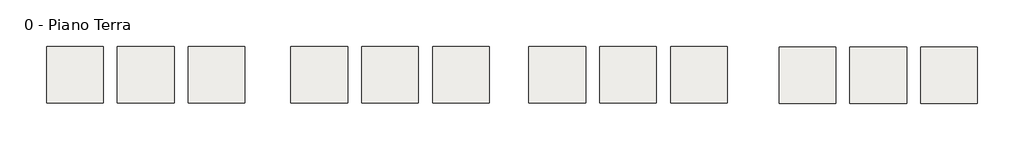
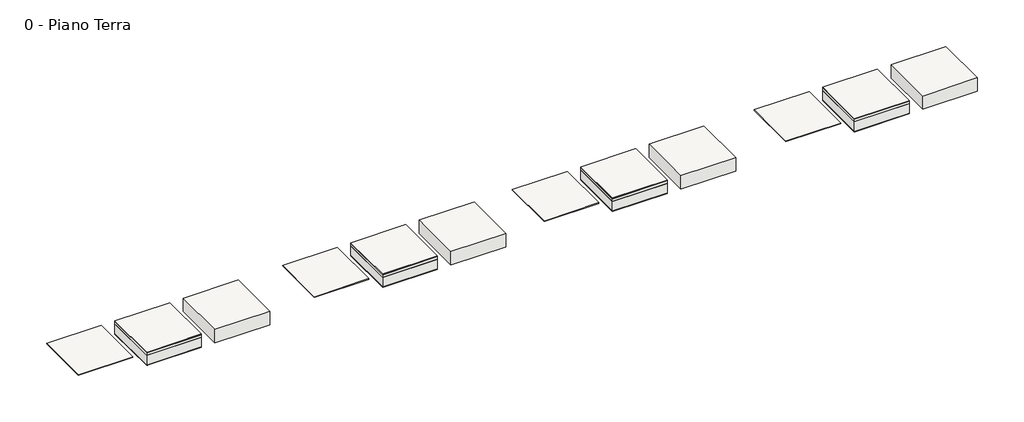
# One storey: 24 slabs.
"""IFC4 building model written with IfcOpenShell, lengths in millimetres."""

from ifc_helpers import new_model, si_unit, frame, origin, place, context, project, spatial, polyline, outline, extrude, element, save

model = new_model("IFC4")

# Units and contexts
model_context = context("Model", 3, world=origin())
ifc_project = project(units=[si_unit("LENGTHUNIT", "METRE", prefix="MILLI")], contexts=[model_context])

# Site, building, storey
site = spatial("IfcSite", under=ifc_project)
building = spatial("IfcBuilding", under=site)
storey = spatial("IfcBuildingStorey", under=building, Name="0 - Piano Terra", Elevation=0.0)

# Slabs
placement = place(None, origin())
element("IfcSlab", 1, at=placement, inside=storey, context=model_context, shape_type="SweptSolid", body=[
    extrude(outline(polyline([(-2346.4319513, -711.6639386), (-3946.4319513, -711.6639386), (-3946.4319513, 888.3360614), (-2346.4319513, 888.3360614), (-2346.4319513, -711.6639386)])), frame((0.0, 0.0, -20.0), z_axis=(0.0, 0.0, 1.0), x_axis=(1.0, 0.0, 0.0)), (0.0, 0.0, 1.0), 20.0),
])
element("IfcSlab", 2, at=placement, inside=storey, context=model_context, shape_type="SweptSolid", body=[
    extrude(outline(polyline([(4556.5436302, -711.6639386), (2956.5436302, -711.6639386), (2956.5436302, 888.3360614), (4556.5436302, 888.3360614), (4556.5436302, -711.6639386)])), frame((0.0, 0.0, -20.0), z_axis=(0.0, 0.0, 1.0), x_axis=(1.0, 0.0, 0.0)), (0.0, 0.0, 1.0), 20.0),
])
element("IfcSlab", 3, at=placement, inside=storey, context=model_context, shape_type="SweptSolid", body=[
    extrude(outline(polyline([(11276.1529447, -716.5130908), (9676.1529447, -716.5130908), (9676.1529447, 883.4869092), (11276.1529447, 883.4869092), (11276.1529447, -716.5130908)])), frame((0.0, 0.0, -20.0), z_axis=(0.0, 0.0, 1.0), x_axis=(1.0, 0.0, 0.0)), (0.0, 0.0, 1.0), 20.0),
])
element("IfcSlab", 4, at=placement, inside=storey, context=model_context, shape_type="SweptSolid", body=[
    extrude(outline(polyline([(18343.2741489, -731.5137435), (16743.2741489, -731.5137435), (16743.2741489, 868.4862565), (18343.2741489, 868.4862565), (18343.2741489, -731.5137435)])), frame((0.0, 0.0, -20.0), z_axis=(0.0, 0.0, 1.0), x_axis=(1.0, 0.0, 0.0)), (0.0, 0.0, 1.0), 20.0),
])
element("IfcSlab", 5, at=placement, inside=storey, context=model_context, shape_type="SweptSolid", body=[
    extrude(outline(polyline([(-346.4319513, -711.6639386), (-1946.4319513, -711.6639386), (-1946.4319513, 888.3360614), (-346.4319513, 888.3360614), (-346.4319513, -711.6639386)])), frame((0.0, 0.0, -20.0), z_axis=(0.0, 0.0, 1.0), x_axis=(1.0, 0.0, 0.0)), (0.0, 0.0, 1.0), 20.0),
])
element("IfcSlab", 6, at=placement, inside=storey, context=model_context, shape_type="SweptSolid", body=[
    extrude(outline(polyline([(1653.5680487, -711.6639386), (53.5680487, -711.6639386), (53.5680487, 888.3360614), (1653.5680487, 888.3360614), (1653.5680487, -711.6639386)])), frame((0.0, 0.0, -415.0), z_axis=(0.0, 0.0, 1.0), x_axis=(1.0, 0.0, 0.0)), (0.0, 0.0, 1.0), 415.0),
])
element("IfcSlab", 7, at=placement, inside=storey, context=model_context, shape_type="SweptSolid", body=[
    extrude(outline(polyline([(6556.5436302, -711.6639386), (4956.5436302, -711.6639386), (4956.5436302, 888.3360614), (6556.5436302, 888.3360614), (6556.5436302, -711.6639386)])), frame((0.0, 0.0, -20.0), z_axis=(0.0, 0.0, 1.0), x_axis=(1.0, 0.0, 0.0)), (0.0, 0.0, 1.0), 20.0),
])
element("IfcSlab", 8, at=placement, inside=storey, context=model_context, shape_type="SweptSolid", body=[
    extrude(outline(polyline([(8556.5436302, -711.6639386), (6956.5436302, -711.6639386), (6956.5436302, 888.3360614), (8556.5436302, 888.3360614), (8556.5436302, -711.6639386)])), frame((0.0, 0.0, -415.0), z_axis=(0.0, 0.0, 1.0), x_axis=(1.0, 0.0, 0.0)), (0.0, 0.0, 1.0), 415.0),
])
element("IfcSlab", 9, at=placement, inside=storey, context=model_context, shape_type="SweptSolid", body=[
    extrude(outline(polyline([(13276.1529447, -716.5130908), (11676.1529447, -716.5130908), (11676.1529447, 883.4869092), (13276.1529447, 883.4869092), (13276.1529447, -716.5130908)])), frame((0.0, 0.0, -20.0), z_axis=(0.0, 0.0, 1.0), x_axis=(1.0, 0.0, 0.0)), (0.0, 0.0, 1.0), 20.0),
])
element("IfcSlab", 10, at=placement, inside=storey, context=model_context, shape_type="SweptSolid", body=[
    extrude(outline(polyline([(15276.1529447, -716.5130908), (13676.1529447, -716.5130908), (13676.1529447, 883.4869092), (15276.1529447, 883.4869092), (15276.1529447, -716.5130908)])), frame((0.0, 0.0, -415.0), z_axis=(0.0, 0.0, 1.0), x_axis=(1.0, 0.0, 0.0)), (0.0, 0.0, 1.0), 415.0),
])
element("IfcSlab", 11, at=placement, inside=storey, context=model_context, shape_type="SweptSolid", body=[
    extrude(outline(polyline([(20343.2741489, -731.5137435), (18743.2741489, -731.5137435), (18743.2741489, 868.4862565), (20343.2741489, 868.4862565), (20343.2741489, -731.5137435)])), frame((0.0, 0.0, -20.0), z_axis=(0.0, 0.0, 1.0), x_axis=(1.0, 0.0, 0.0)), (0.0, 0.0, 1.0), 20.0),
])
element("IfcSlab", 12, at=placement, inside=storey, context=model_context, shape_type="SweptSolid", body=[
    extrude(outline(polyline([(22343.2741489, -731.5137435), (20743.2741489, -731.5137435), (20743.2741489, 868.4862565), (22343.2741489, 868.4862565), (22343.2741489, -731.5137435)])), frame((0.0, 0.0, -415.0), z_axis=(0.0, 0.0, 1.0), x_axis=(1.0, 0.0, 0.0)), (0.0, 0.0, 1.0), 415.0),
])
element("IfcSlab", 13, ObjectType="Intonaco", at=placement, inside=storey, context=model_context, shape_type="SweptSolid", body=[
    extrude(outline(polyline([(-346.4319513, 888.3360614), (-346.4319513, -711.6639386), (-1946.4319513, -711.6639386), (-1946.4319513, 888.3360614), (-346.4319513, 888.3360614)])), frame((0.0, 0.0, -415.0), z_axis=(0.0, 0.0, 1.0), x_axis=(1.0, 0.0, 0.0)), (0.0, 0.0, 1.0), 15.0),
])
element("IfcSlab", 14, ObjectType="Intonaco", at=placement, inside=storey, context=model_context, shape_type="SweptSolid", body=[
    extrude(outline(polyline([(6556.5436302, 888.3360614), (6556.5436302, -711.6639386), (4956.5436302, -711.6639386), (4956.5436302, 888.3360614), (6556.5436302, 888.3360614)])), frame((0.0, 0.0, -415.0), z_axis=(0.0, 0.0, 1.0), x_axis=(1.0, 0.0, 0.0)), (0.0, 0.0, 1.0), 15.0),
])
element("IfcSlab", 15, ObjectType="Intonaco", at=placement, inside=storey, context=model_context, shape_type="SweptSolid", body=[
    extrude(outline(polyline([(13276.1529447, 883.4869092), (13276.1529447, -716.5130908), (11676.1529447, -716.5130908), (11676.1529447, 883.4869092), (13276.1529447, 883.4869092)])), frame((0.0, 0.0, -415.0), z_axis=(0.0, 0.0, 1.0), x_axis=(1.0, 0.0, 0.0)), (0.0, 0.0, 1.0), 15.0),
])
element("IfcSlab", 16, ObjectType="Intonaco", at=placement, inside=storey, context=model_context, shape_type="SweptSolid", body=[
    extrude(outline(polyline([(20343.2741489, 868.4862565), (20343.2741489, -731.5137435), (18743.2741489, -731.5137435), (18743.2741489, 868.4862565), (20343.2741489, 868.4862565)])), frame((0.0, 0.0, -415.0), z_axis=(0.0, 0.0, 1.0), x_axis=(1.0, 0.0, 0.0)), (0.0, 0.0, 1.0), 15.0),
])
element("IfcSlab", 17, ObjectType="MassettoCLS", at=placement, inside=storey, context=model_context, shape_type="SweptSolid", body=[
    extrude(outline(polyline([(-346.4319513, 888.3360614), (-346.4319513, -711.6639386), (-1946.4319513, -711.6639386), (-1946.4319513, 888.3360614), (-346.4319513, 888.3360614)])), frame((0.0, 0.0, -100.0), z_axis=(0.0, 0.0, 1.0), x_axis=(1.0, 0.0, 0.0)), (0.0, 0.0, 1.0), 80.0),
])
element("IfcSlab", 18, ObjectType="MassettoCLS", at=placement, inside=storey, context=model_context, shape_type="SweptSolid", body=[
    extrude(outline(polyline([(6556.5436302, 888.3360614), (6556.5436302, -711.6639386), (4956.5436302, -711.6639386), (4956.5436302, 888.3360614), (6556.5436302, 888.3360614)])), frame((0.0, 0.0, -100.0), z_axis=(0.0, 0.0, 1.0), x_axis=(1.0, 0.0, 0.0)), (0.0, 0.0, 1.0), 80.0),
])
element("IfcSlab", 19, ObjectType="MassettoCLS", at=placement, inside=storey, context=model_context, shape_type="SweptSolid", body=[
    extrude(outline(polyline([(13276.1529447, 883.4869092), (13276.1529447, -716.5130908), (11676.1529447, -716.5130908), (11676.1529447, 883.4869092), (13276.1529447, 883.4869092)])), frame((0.0, 0.0, -100.0), z_axis=(0.0, 0.0, 1.0), x_axis=(1.0, 0.0, 0.0)), (0.0, 0.0, 1.0), 80.0),
])
element("IfcSlab", 20, ObjectType="MassettoCLS", at=placement, inside=storey, context=model_context, shape_type="SweptSolid", body=[
    extrude(outline(polyline([(20343.2741489, 868.4862565), (20343.2741489, -731.5137435), (18743.2741489, -731.5137435), (18743.2741489, 868.4862565), (20343.2741489, 868.4862565)])), frame((0.0, 0.0, -100.0), z_axis=(0.0, 0.0, 1.0), x_axis=(1.0, 0.0, 0.0)), (0.0, 0.0, 1.0), 80.0),
])
element("IfcSlab", 21, ObjectType="Struttura", at=placement, inside=storey, context=model_context, shape_type="SweptSolid", body=[
    extrude(outline(polyline([(-346.4319513, 888.3360614), (-346.4319513, -711.6639386), (-1946.4319513, -711.6639386), (-1946.4319513, 888.3360614), (-346.4319513, 888.3360614)])), frame((0.0, 0.0, -400.0), z_axis=(0.0, 0.0, 1.0), x_axis=(1.0, 0.0, 0.0)), (0.0, 0.0, 1.0), 300.0),
])
element("IfcSlab", 22, ObjectType="Struttura", at=placement, inside=storey, context=model_context, shape_type="SweptSolid", body=[
    extrude(outline(polyline([(6556.5436302, 888.3360614), (6556.5436302, -711.6639386), (4956.5436302, -711.6639386), (4956.5436302, 888.3360614), (6556.5436302, 888.3360614)])), frame((0.0, 0.0, -400.0), z_axis=(0.0, 0.0, 1.0), x_axis=(1.0, 0.0, 0.0)), (0.0, 0.0, 1.0), 300.0),
])
element("IfcSlab", 23, ObjectType="Struttura", at=placement, inside=storey, context=model_context, shape_type="SweptSolid", body=[
    extrude(outline(polyline([(13276.1529447, 883.4869092), (13276.1529447, -716.5130908), (11676.1529447, -716.5130908), (11676.1529447, 883.4869092), (13276.1529447, 883.4869092)])), frame((0.0, 0.0, -400.0), z_axis=(0.0, 0.0, 1.0), x_axis=(1.0, 0.0, 0.0)), (0.0, 0.0, 1.0), 300.0),
])
element("IfcSlab", 24, ObjectType="Struttura", at=placement, inside=storey, context=model_context, shape_type="SweptSolid", body=[
    extrude(outline(polyline([(20343.2741489, 868.4862565), (20343.2741489, -731.5137435), (18743.2741489, -731.5137435), (18743.2741489, 868.4862565), (20343.2741489, 868.4862565)])), frame((0.0, 0.0, -400.0), z_axis=(0.0, 0.0, 1.0), x_axis=(1.0, 0.0, 0.0)), (0.0, 0.0, 1.0), 300.0),
])

save(model, "model.ifc")
